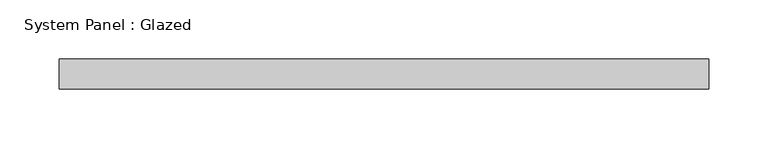
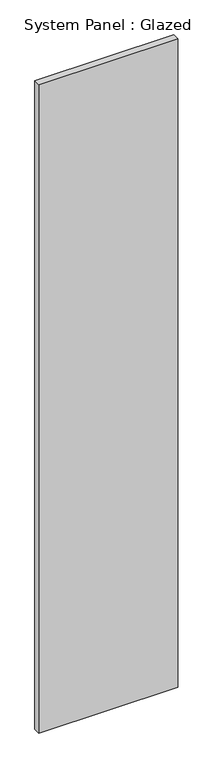
"""IFC4 building model written with IfcOpenShell, lengths in millimetres: plate geometry, System Panel : Glazed."""

from ifc_helpers import new_model, si_unit, origin, origin_with_axes, place, context, project, spatial, polyline, outline, extrude, source, transform, mapped, element, save


def system_panel_glazed_7e0e631a(model_context):
    return source(origin(), model_context, "Body", "SweptSolid", [
        extrude(outline(polyline([(272.8488371, 24.5), (-272.8488371, 24.5), (-272.8488371, 49.5), (272.8488371, 49.5), (272.8488371, 24.5)])), origin_with_axes(), (0.0, 0.0, 1.0), 2690.0),
    ])


if __name__ == "__main__":
    model = new_model("IFC4")
    model_context = context("Model", 3, world=origin())
    ifc_project = project(units=[si_unit("LENGTHUNIT", "METRE", prefix="MILLI")], contexts=[model_context])
    site = spatial("IfcSite", under=ifc_project)
    building = spatial("IfcBuilding", under=site)
    placement = place(None, origin())
    system_panel_glazed_shape = system_panel_glazed_7e0e631a(model_context)
    element("IfcPlate", 1, ObjectType="System Panel : Glazed", at=placement, inside=building, context=model_context, shape_type="MappedRepresentation", body=[
        mapped(system_panel_glazed_shape, transform((0.0, 0.0, 0.0), x_axis=(1.0, 0.0, 0.0), y_axis=(0.0, 1.0, 0.0), z_axis=(0.0, 0.0, 1.0))),
    ])
    save(model, "model.ifc")
